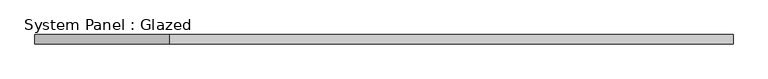
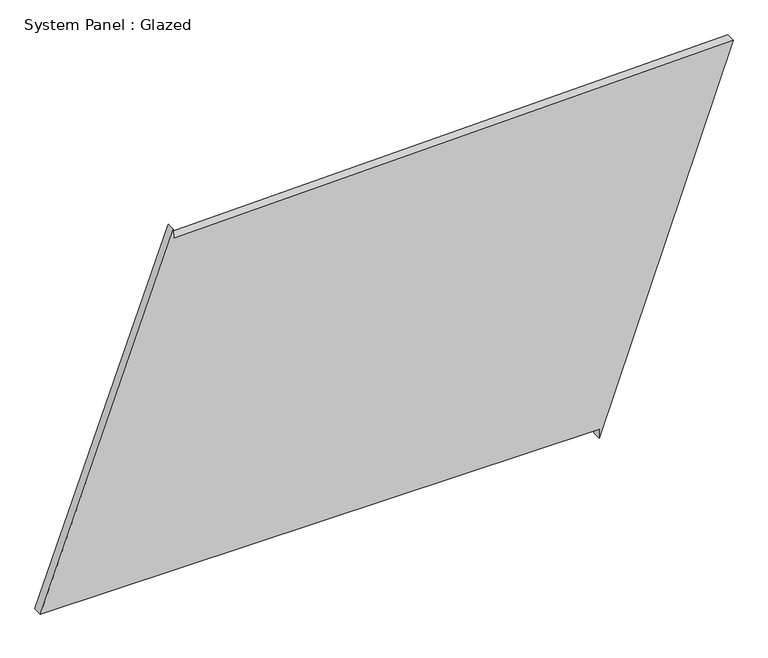
"""IFC4 building model written with IfcOpenShell, lengths in millimetres: plate geometry, System Panel : Glazed."""

from ifc_helpers import new_model, si_unit, frame, origin, place, context, project, spatial, polyline, outline, extrude, source, transform, mapped, element, save


def system_panel_glazed_7766f01c(model_context):
    return source(origin(), model_context, "Body", "SweptSolid", [
        extrude(outline(polyline([(25.0, 562.8704605), (0.0, 562.8704605), (990.1037428, 918.0835428), (954.3405613, -564.6992262), (979.3332929, -565.302025), (25.0, -918.0835428), (25.0, 562.8704605)])), frame((0.0, -49.5, 0.0), z_axis=(0.0, 1.0, 0.0), x_axis=(0.0, 0.0, 1.0)), (0.0, 0.0, 1.0), 25.0),
    ])


if __name__ == "__main__":
    model = new_model("IFC4")
    model_context = context("Model", 3, world=origin())
    ifc_project = project(units=[si_unit("LENGTHUNIT", "METRE", prefix="MILLI")], contexts=[model_context])
    site = spatial("IfcSite", under=ifc_project)
    building = spatial("IfcBuilding", under=site)
    placement = place(None, origin())
    system_panel_glazed_shape = system_panel_glazed_7766f01c(model_context)
    element("IfcPlate", 1, ObjectType="System Panel : Glazed", at=placement, inside=building, context=model_context, shape_type="MappedRepresentation", body=[
        mapped(system_panel_glazed_shape, transform((0.0, 0.0, 0.0), x_axis=(1.0, 0.0, 0.0), y_axis=(0.0, 1.0, 0.0), z_axis=(0.0, 0.0, 1.0))),
    ])
    save(model, "model.ifc")
